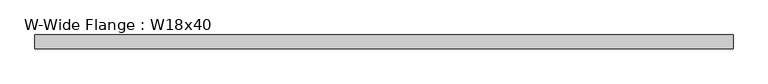
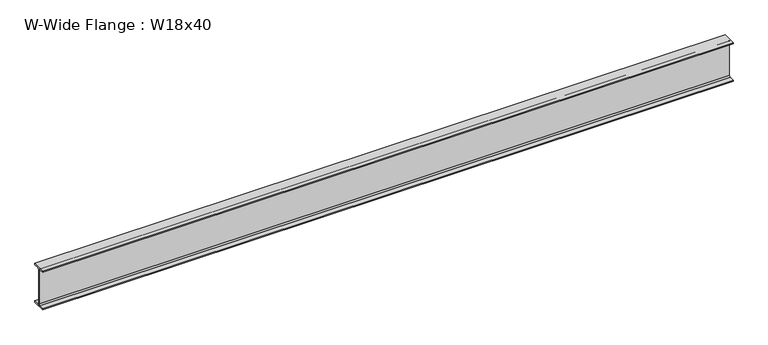
"""IFC4 building model written with IfcOpenShell, lengths in millimetres: beam geometry, W-Wide Flange : W18x40."""

from ifc_helpers import new_model, si_unit, point, frame, frame_2d, origin, place, context, project, spatial, polyline, circle_curve, trimmed, segment, composite_curve, outline, extrude, source, transform, mapped, element, save


def w_wide_flange_w18x40_a2719a77(model_context):
    return source(origin(), model_context, "Body", "SweptSolid", [
        extrude(outline(composite_curve([segment(polyline([(76.454, -213.995), (76.454, -227.33), (-76.454, -227.33), (-76.454, -213.995), (-20.828, -213.995)]), True, "CONTINUOUS"), segment(trimmed(circle_curve(frame_2d((-20.828, -197.1675)), 16.8275), [point((-20.828, -213.995))], [point((-4.0005, -197.1675))], True, "CARTESIAN"), True, "CONTINUOUS"), segment(polyline([(-4.0005, -197.1675), (-4.0005, 197.1675)]), True, "CONTINUOUS"), segment(trimmed(circle_curve(frame_2d((-20.828, 197.1675)), 16.8275), [point((-4.0005, 197.1675))], [point((-20.828, 213.995))], True, "CARTESIAN"), True, "CONTINUOUS"), segment(polyline([(-20.828, 213.995), (-76.454, 213.995), (-76.454, 227.33), (76.454, 227.33), (76.454, 213.995), (20.828, 213.995)]), True, "CONTINUOUS"), segment(trimmed(circle_curve(frame_2d((20.828, 197.1675)), 16.8275), [point((20.828, 213.995))], [point((4.0005, 197.1675))], True, "CARTESIAN"), True, "CONTINUOUS"), segment(polyline([(4.0005, 197.1675), (4.0005, -197.1675)]), True, "CONTINUOUS"), segment(trimmed(circle_curve(frame_2d((20.828, -197.1675)), 16.8275), [point((4.0005, -197.1675))], [point((20.828, -213.995))], True, "CARTESIAN"), True, "CONTINUOUS"), segment(polyline([(20.828, -213.995), (76.454, -213.995)]), True, "CONTINUOUS")], self_intersect=False)), frame((-3847.973, 0.0, 0.0), z_axis=(1.0, 0.0, 0.0), x_axis=(0.0, 1.0, 0.0)), (0.0, 0.0, 1.0), 7695.946),
    ])


if __name__ == "__main__":
    model = new_model("IFC4")
    model_context = context("Model", 3, world=origin())
    ifc_project = project(units=[si_unit("LENGTHUNIT", "METRE", prefix="MILLI")], contexts=[model_context])
    site = spatial("IfcSite", under=ifc_project)
    building = spatial("IfcBuilding", under=site)
    placement = place(None, origin())
    w_wide_flange_w18x40_shape = w_wide_flange_w18x40_a2719a77(model_context)
    element("IfcBeam", 1, ObjectType="W-Wide Flange : W18x40", at=placement, inside=building, context=model_context, shape_type="MappedRepresentation", body=[
        mapped(w_wide_flange_w18x40_shape, transform((0.0, 0.0, 0.0), x_axis=(1.0, 0.0, 0.0), y_axis=(0.0, 1.0, 0.0), z_axis=(0.0, 0.0, 1.0))),
    ])
    save(model, "model.ifc")
